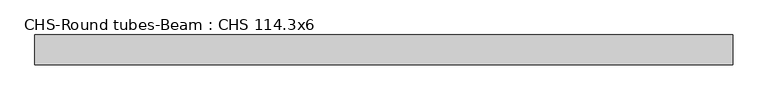
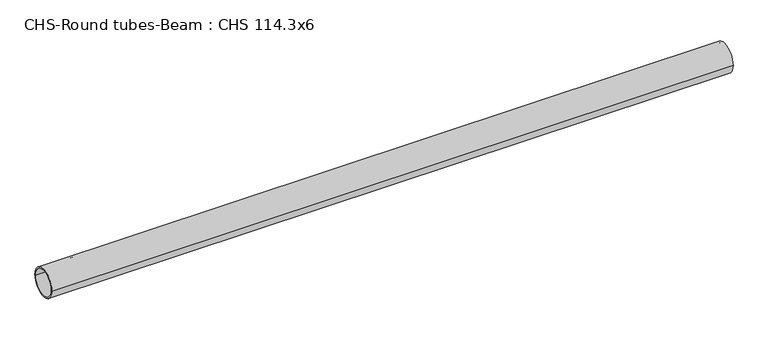
"""IFC4 building model written with IfcOpenShell, lengths in millimetres: beam geometry, CHS-Round tubes-Beam : CHS 114.3x6."""

import ifcopenshell
import ifcopenshell.guid

model = None  # the IFC model being written
_history = None  # IfcOwnerHistory: only IFC2X3 demands one
_inside = {}  # id of a spatial element -> (the spatial element, [elements in it])
_under = {}  # id of a project, library or spatial element -> (it, [spatial elements below it])
_declared = {}  # id of a project -> (the project, [libraries it declares])
_typed = {}  # id of a type object -> (the type object, [elements of that type])
_made_of = {}  # id of a material, layer set ... -> (it, [elements and type objects made of it])


def new_model(schema):
    """Start an empty IFC model of exactly this schema.

    Asked for "IFC4X3", IfcOpenShell would pick the latest addendum, in which some entities
    have other attributes; the version numbers below select the first issue.
    IFC2X3 requires an IfcOwnerHistory on every rooted entity: one is made here for all.
    """
    global model, _history
    if schema == "IFC4X3":
        model = ifcopenshell.file(schema_version=(4, 3, 0, 0))
    else:
        model = ifcopenshell.file(schema=schema)
    _inside.clear()
    _under.clear()
    _declared.clear()
    _typed.clear()
    _made_of.clear()
    _history = None
    if model.schema == "IFC2X3":
        org = make("IfcOrganization", Name="unknown")
        user = make(
            "IfcPersonAndOrganization",
            ThePerson=make("IfcPerson", FamilyName="unknown"),
            TheOrganization=org,
        )
        app = make(
            "IfcApplication",
            ApplicationDeveloper=org,
            Version="unknown",
            ApplicationFullName="unknown",
            ApplicationIdentifier="unknown",
        )
        _history = make(
            "IfcOwnerHistory",
            OwningUser=user,
            OwningApplication=app,
            ChangeAction="ADDED",
            CreationDate=0,
        )
    return model


def make(cls, **values):
    """One entity of the class cls with the attributes given. An attribute that is None is left unset."""
    return model.create_entity(
        cls, **{name: value for name, value in values.items() if value is not None}
    )


def rooted(cls, **values):
    """An entity with a GlobalId (a new one), such as an element, a storey or a relation."""
    return make(cls, GlobalId=ifcopenshell.guid.new(), OwnerHistory=_history, **values)


def si_unit(unit_type, name, prefix=None):
    """IfcSIUnit, for example si_unit("LENGTHUNIT", "METRE", prefix="MILLI")."""
    return make("IfcSIUnit", UnitType=unit_type, Prefix=prefix, Name=name)


def assignment(units):
    """IfcUnitAssignment: the units of a project."""
    return None if units is None else make("IfcUnitAssignment", Units=units)


def point(xyz):
    """IfcCartesianPoint."""
    return None if xyz is None else make("IfcCartesianPoint", Coordinates=xyz)


def direction(xyz):
    """IfcDirection."""
    return None if xyz is None else make("IfcDirection", DirectionRatios=xyz)


def frame(location, z_axis=None, x_axis=None):
    """IfcAxis2Placement3D, a coordinate frame: its origin and axes. An axis left out is left unset."""
    return make(
        "IfcAxis2Placement3D",
        Location=point(location),
        Axis=direction(z_axis),
        RefDirection=direction(x_axis),
    )


def frame_2d(location, x_axis=None):
    """IfcAxis2Placement2D, a coordinate frame in the plane: its origin and x axis."""
    return make(
        "IfcAxis2Placement2D", Location=point(location), RefDirection=direction(x_axis)
    )


def origin():
    """The frame at (0, 0, 0) with its axes left unset."""
    return frame((0.0, 0.0, 0.0))


def origin_2d():
    """The frame at (0, 0) in the plane with its x axis left unset."""
    return frame_2d((0.0, 0.0))


def place(relative_to, where):
    """IfcLocalPlacement: puts the frame where relative to a parent placement (None: the world)."""
    return make(
        "IfcLocalPlacement", PlacementRelTo=relative_to, RelativePlacement=where
    )


def context(
    kind, dimensions, precision=None, world=None, true_north=None, identifier=None
):
    """IfcGeometricRepresentationContext, for example the 3D "Model" context."""
    return make(
        "IfcGeometricRepresentationContext",
        ContextIdentifier=identifier,
        ContextType=kind,
        CoordinateSpaceDimension=dimensions,
        Precision=precision,
        WorldCoordinateSystem=world,
        TrueNorth=true_north,
    )


def project(units=None, contexts=None):
    """IfcProject with its units and contexts."""
    return rooted(
        "IfcProject",
        Name="project",
        RepresentationContexts=contexts,
        UnitsInContext=assignment(units),
    )


def spatial(cls, under=None, at=None, **own):
    """A site, building, storey or space (cls), placed at a placement, below another one or the project."""
    s = rooted(cls, ObjectPlacement=at, **own)
    if under is not None:
        _under.setdefault(under.id(), (under, []))[1].append(s)
    return s


def circle_curve(where, radius):
    """IfcCircle in the frame where."""
    return make("IfcCircle", Position=where, Radius=radius)


def trimmed(basis, trim1, trim2, sense, master):
    """IfcTrimmedCurve: the piece of a basis curve between two trims."""
    return make(
        "IfcTrimmedCurve",
        BasisCurve=basis,
        Trim1=trim1,
        Trim2=trim2,
        SenseAgreement=sense,
        MasterRepresentation=master,
    )


def segment(curve, same_sense, transition):
    """IfcCompositeCurveSegment."""
    return make(
        "IfcCompositeCurveSegment",
        Transition=transition,
        SameSense=same_sense,
        ParentCurve=curve,
    )


def composite_curve(segments, self_intersect=None):
    """IfcCompositeCurve: segments joined end to end."""
    return make("IfcCompositeCurve", Segments=segments, SelfIntersect=self_intersect)


def outline(outer, holes=None, kind="AREA"):
    """IfcArbitraryClosedProfileDef: a profile drawn as a closed curve; with holes, ...WithVoids."""
    if holes is None:
        return make("IfcArbitraryClosedProfileDef", ProfileType=kind, OuterCurve=outer)
    return make(
        "IfcArbitraryProfileDefWithVoids",
        ProfileType=kind,
        OuterCurve=outer,
        InnerCurves=holes,
    )


def extrude(swept, where, along, depth):
    """IfcExtrudedAreaSolid: the profile swept, set in the frame where, extruded along a direction by depth."""
    return make(
        "IfcExtrudedAreaSolid",
        SweptArea=swept,
        Position=where,
        ExtrudedDirection=direction(along),
        Depth=depth,
    )


def shape(context_of_items, identifier, shape_type, items):
    """IfcShapeRepresentation: the items that make up one representation, for example the "Body"."""
    return make(
        "IfcShapeRepresentation",
        ContextOfItems=context_of_items,
        RepresentationIdentifier=identifier,
        RepresentationType=shape_type,
        Items=items,
    )


def source(mapping_origin, context_of_items, identifier, shape_type, items):
    """IfcRepresentationMap: a shape defined once, which mapped items show again and again."""
    return make(
        "IfcRepresentationMap",
        MappingOrigin=mapping_origin,
        MappedRepresentation=shape(context_of_items, identifier, shape_type, items),
    )


def transform(
    local_origin,
    x_axis=None,
    y_axis=None,
    z_axis=None,
    scale=None,
    scale2=None,
    scale3=None,
    uniform=True,
):
    """IfcCartesianTransformationOperator3D, or its non-uniform kind. x_axis, y_axis, z_axis: its Axis1, 2, 3."""
    if uniform:
        return make(
            "IfcCartesianTransformationOperator3D",
            Axis1=direction(x_axis),
            Axis2=direction(y_axis),
            LocalOrigin=point(local_origin),
            Scale=scale,
            Axis3=direction(z_axis),
        )
    return make(
        "IfcCartesianTransformationOperator3DnonUniform",
        Axis1=direction(x_axis),
        Axis2=direction(y_axis),
        LocalOrigin=point(local_origin),
        Scale=scale,
        Axis3=direction(z_axis),
        Scale2=scale2,
        Scale3=scale3,
    )


def mapped(mapping_source, mapping_target):
    """IfcMappedItem: shows the shape of a source again, moved by a transform."""
    return make(
        "IfcMappedItem", MappingSource=mapping_source, MappingTarget=mapping_target
    )


def made_of(thing, what):
    """Note that an element or type object is made of a material, layer set ...; save() writes the relation."""
    if what is not None:
        _made_of.setdefault(what.id(), (what, []))[1].append(thing)
    return thing


def element(
    cls,
    number,
    at=None,
    inside=None,
    cuts=None,
    type_object=None,
    material=None,
    context=None,
    identifier="Body",
    shape_type=None,
    held_by="IfcProductDefinitionShape",
    body=None,
    shapes=None,
    **own,
):
    """One element of the class cls, such as IfcWall. Its Tag is "e" and its number.

    at: its placement. inside: the storey or other place that contains it. cuts: it is an
    opening in that element (IfcRelVoidsElement). A single representation is given by context,
    identifier, shape_type and body (its items); several are given by shapes. held_by: the class
    of the entity that holds the representations. save() writes the other relations.
    """
    e = rooted(cls, Tag="e%d" % number, ObjectPlacement=at, **own)
    if body is not None:
        shapes = [shape(context, identifier, shape_type, body)]
    if shapes is not None:
        e.Representation = make(held_by, Representations=shapes)
    if inside is not None:
        _inside.setdefault(inside.id(), (inside, []))[1].append(e)
    if cuts is not None:
        rooted(
            "IfcRelVoidsElement", RelatingBuildingElement=cuts, RelatedOpeningElement=e
        )
    if type_object is not None:
        _typed.setdefault(type_object.id(), (type_object, []))[1].append(e)
    return made_of(e, material)


def aggregate(whole, parts):
    """IfcRelAggregates: a whole, such as a stair, and the parts it consists of."""
    return rooted("IfcRelAggregates", RelatingObject=whole, RelatedObjects=parts)


def save(model, path):
    """Write the relations noted so far, then the file.

    IfcRelAggregates (storeys below a building ...), IfcRelContainedInSpatialStructure (elements
    in a storey), IfcRelDefinesByType, IfcRelAssociatesMaterial and IfcRelDeclares: one each for
    every whole, place, type object, material and project.
    """
    for whole, parts in _under.values():
        aggregate(whole, parts)
    for where, things in _inside.values():
        rooted(
            "IfcRelContainedInSpatialStructure",
            RelatedElements=things,
            RelatingStructure=where,
        )
    for kind, things in _typed.values():
        rooted("IfcRelDefinesByType", RelatedObjects=things, RelatingType=kind)
    for what, things in _made_of.values():
        rooted("IfcRelAssociatesMaterial", RelatedObjects=things, RelatingMaterial=what)
    for by, libraries in _declared.values():
        rooted("IfcRelDeclares", RelatingContext=by, RelatedDefinitions=libraries)
    model.write(path)


def chs_round_tubes_beam_chs_114_3x6_de7ded78(model_context):
    return source(origin(), model_context, "Body", "SweptSolid", [
        extrude(outline(composite_curve([segment(trimmed(circle_curve(origin_2d(), 57.15), [point((57.15, 0.0))], [point((-57.15, 0.0))], False, "CARTESIAN"), True, "CONTINUOUS"), segment(trimmed(circle_curve(origin_2d(), 57.15), [point((-57.15, 0.0))], [point((57.15, 0.0))], False, "CARTESIAN"), True, "CONTINUOUS")], self_intersect=False), holes=[composite_curve([segment(trimmed(circle_curve(origin_2d(), 51.15), [point((51.15, 0.0))], [point((-51.15, 0.0))], True, "CARTESIAN"), True, "CONTINUOUS"), segment(trimmed(circle_curve(origin_2d(), 51.15), [point((-51.15, 0.0))], [point((51.15, 0.0))], True, "CARTESIAN"), True, "CONTINUOUS")], self_intersect=False)]), frame((-1297.1858837, 0.0, 0.0), z_axis=(1.0, 0.0, 0.0), x_axis=(0.0, 1.0, 0.0)), (0.0, 0.0, 1.0), 2674.8359522),
    ])


if __name__ == "__main__":
    model = new_model("IFC4")
    model_context = context("Model", 3, world=origin())
    ifc_project = project(units=[si_unit("LENGTHUNIT", "METRE", prefix="MILLI")], contexts=[model_context])
    site = spatial("IfcSite", under=ifc_project)
    building = spatial("IfcBuilding", under=site)
    placement = place(None, origin())
    chs_round_tubes_beam_chs_114_3x6_shape = chs_round_tubes_beam_chs_114_3x6_de7ded78(model_context)
    element("IfcBeam", 1, ObjectType="CHS-Round tubes-Beam : CHS 114.3x6", at=placement, inside=building, context=model_context, shape_type="MappedRepresentation", body=[
        mapped(chs_round_tubes_beam_chs_114_3x6_shape, transform((0.0, 0.0, 0.0), x_axis=(1.0, 0.0, 0.0), y_axis=(0.0, 1.0, 0.0), z_axis=(0.0, 0.0, 1.0))),
    ])
    save(model, "model.ifc")
